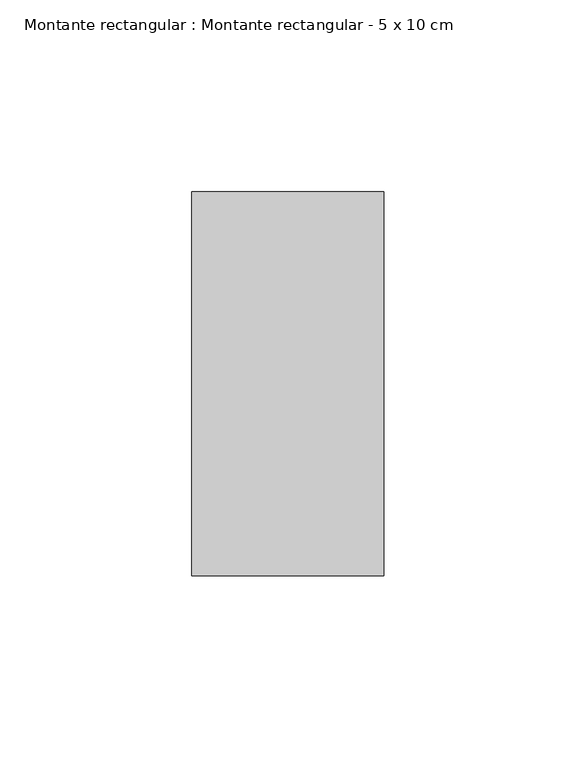
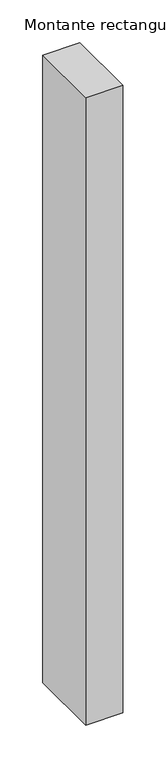
"""IFC4 building model written with IfcOpenShell, lengths in millimetres: member geometry, Montante rectangular : Montante rectangular - 5 x 10 cm."""

from ifc_helpers import new_model, si_unit, frame, origin, place, context, project, spatial, polyline, outline, extrude, source, transform, mapped, element, save


def montante_rectangular_montante_rectangular_5_x_10_cm_1bec9194(model_context):
    return source(origin(), model_context, "Body", "SweptSolid", [
        extrude(outline(polyline([(-50.0, 50.0), (0.0, 50.0), (0.0, -50.0), (-50.0, -50.0), (-50.0, 50.0)])), frame((0.0, 0.0, -893.7051487), z_axis=(0.0, 0.0, 1.0), x_axis=(1.0, 0.0, 0.0)), (0.0, 0.0, 1.0), 893.7051487),
    ])


if __name__ == "__main__":
    model = new_model("IFC4")
    model_context = context("Model", 3, world=origin())
    ifc_project = project(units=[si_unit("LENGTHUNIT", "METRE", prefix="MILLI")], contexts=[model_context])
    site = spatial("IfcSite", under=ifc_project)
    building = spatial("IfcBuilding", under=site)
    placement = place(None, origin())
    montante_rectangular_montante_rectangular_5_x_10_cm_shape = montante_rectangular_montante_rectangular_5_x_10_cm_1bec9194(model_context)
    element("IfcMember", 1, ObjectType="Montante rectangular : Montante rectangular - 5 x 10 cm", at=placement, inside=building, context=model_context, shape_type="MappedRepresentation", body=[
        mapped(montante_rectangular_montante_rectangular_5_x_10_cm_shape, transform((0.0, 0.0, 0.0), x_axis=(1.0, 0.0, 0.0), y_axis=(0.0, 1.0, 0.0), z_axis=(0.0, 0.0, 1.0))),
    ])
    save(model, "model.ifc")
